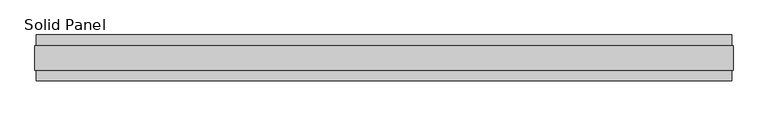
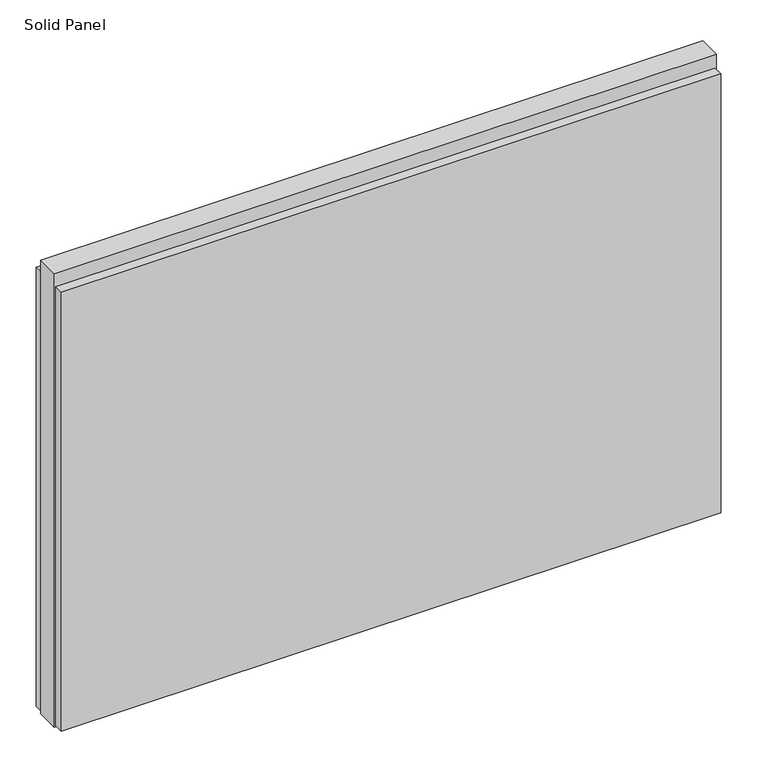
"""IFC4 building model written with IfcOpenShell, lengths in millimetres: plate geometry, Solid Panel."""

from ifc_helpers import new_model, si_unit, frame, origin, origin_with_axes, place, context, project, spatial, polyline, outline, extrude, source, transform, mapped, element, save


def solid_panel_4bc0e914(model_context):
    return source(origin(), model_context, "Body", "SweptSolid", [
        extrude(outline(polyline([(733.6028, -48.4531867), (-733.6028, -48.4531867), (-733.6028, -25.9961), (733.6028, -25.9961), (733.6028, -48.4531867)])), frame((0.0, 0.0, 3.0099), z_axis=(0.0, 0.0, 1.0), x_axis=(1.0, 0.0, 0.0)), (0.0, 0.0, 1.0), 1031.7861),
        extrude(outline(polyline([(733.6028, 25.9977), (-733.6028, 25.9977), (-733.6028, 48.4547867), (733.6028, 48.4547867), (733.6028, 25.9977)])), frame((0.0, 0.0, 3.0099), z_axis=(0.0, 0.0, 1.0), x_axis=(1.0, 0.0, 0.0)), (0.0, 0.0, 1.0), 1031.7861),
        extrude(outline(polyline([(736.6, -25.9961), (-736.6, -25.9961), (-736.6, 25.9977), (736.6, 25.9977), (736.6, -25.9961)])), origin_with_axes(), (0.0, 0.0, 1.0), 1066.8),
    ])


if __name__ == "__main__":
    model = new_model("IFC4")
    model_context = context("Model", 3, world=origin())
    ifc_project = project(units=[si_unit("LENGTHUNIT", "METRE", prefix="MILLI")], contexts=[model_context])
    site = spatial("IfcSite", under=ifc_project)
    building = spatial("IfcBuilding", under=site)
    placement = place(None, origin())
    solid_panel_shape = solid_panel_4bc0e914(model_context)
    element("IfcPlate", 1, ObjectType="Solid Panel", at=placement, inside=building, context=model_context, shape_type="MappedRepresentation", body=[
        mapped(solid_panel_shape, transform((0.0, 0.0, 0.0), x_axis=(1.0, 0.0, 0.0), y_axis=(0.0, 1.0, 0.0), z_axis=(0.0, 0.0, 1.0))),
    ])
    save(model, "model.ifc")
